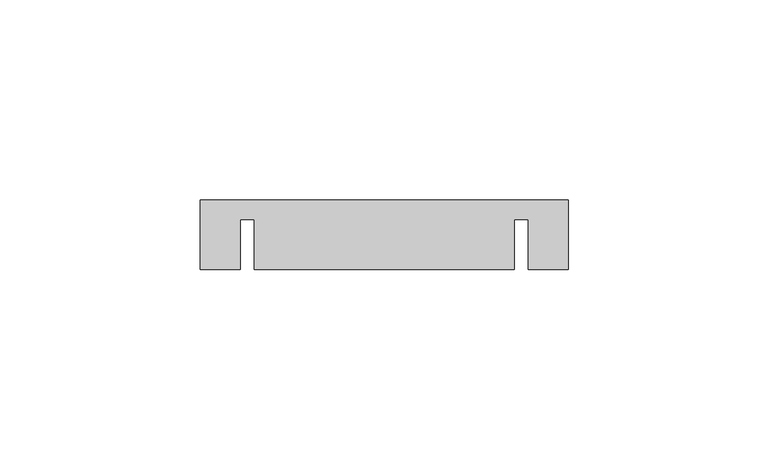
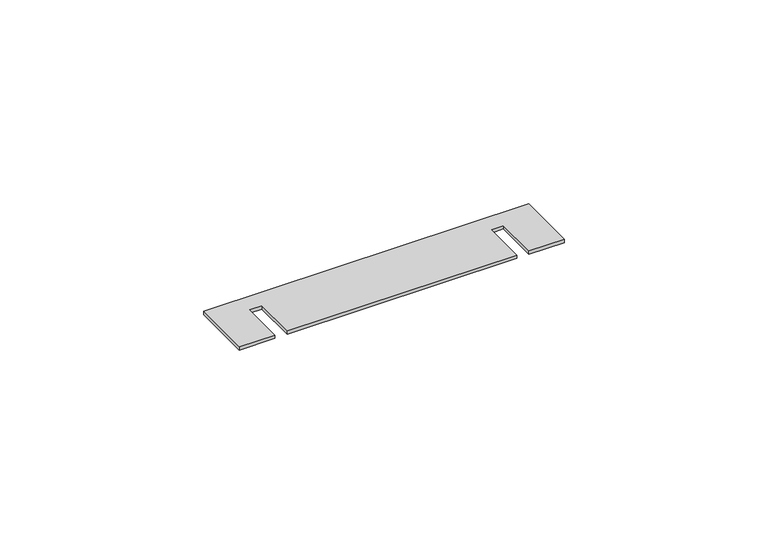
"""IFC4 building model written with IfcOpenShell, lengths in millimetres: proxy geometry."""

from ifc_helpers import new_model, si_unit, origin, origin_with_axes, place, context, project, spatial, polyline, outline, extrude, source, transform, mapped, element, save


def generic_models_f93d1e00(model_context):
    return source(origin(), model_context, "Body", "SweptSolid", [
        extrude(outline(polyline([(82.0, 5.0), (82.0, -12.5), (72.0, -12.5), (72.0, 0.0), (68.5, 0.0), (68.5, -12.5), (3.5, -12.5), (3.5, 0.0), (0.0, 0.0), (0.0, -12.5), (-10.0, -12.5), (-10.0, 5.0), (82.0, 5.0)])), origin_with_axes(), (0.0, 0.0, 1.0), 1.0),
    ])


if __name__ == "__main__":
    model = new_model("IFC4")
    model_context = context("Model", 3, world=origin())
    ifc_project = project(units=[si_unit("LENGTHUNIT", "METRE", prefix="MILLI")], contexts=[model_context])
    site = spatial("IfcSite", under=ifc_project)
    building = spatial("IfcBuilding", under=site)
    placement = place(None, origin())
    generic_models_shape = generic_models_f93d1e00(model_context)
    element("IfcBuildingElementProxy", 1, Name="Generic Models", at=placement, inside=building, context=model_context, shape_type="MappedRepresentation", body=[
        mapped(generic_models_shape, transform((0.0, 0.0, 0.0), x_axis=(1.0, 0.0, 0.0), y_axis=(0.0, 1.0, 0.0), z_axis=(0.0, 0.0, 1.0))),
    ])
    save(model, "model.ifc")
